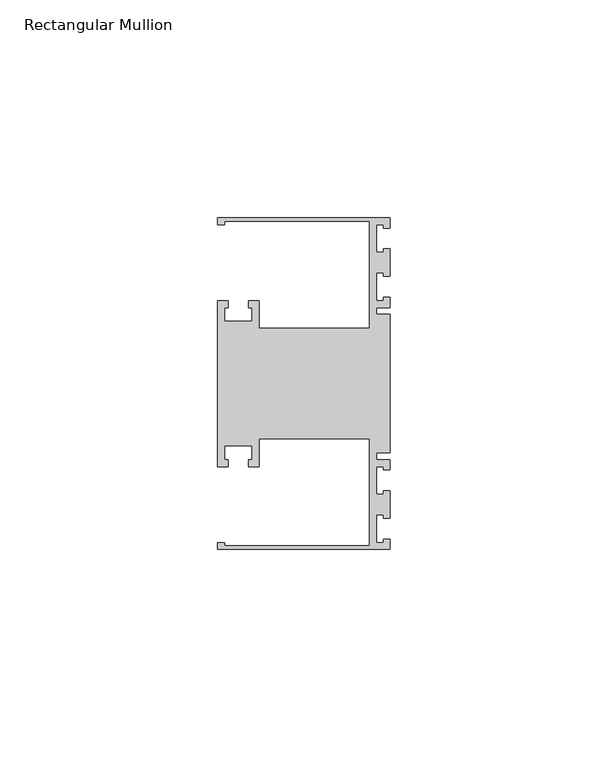
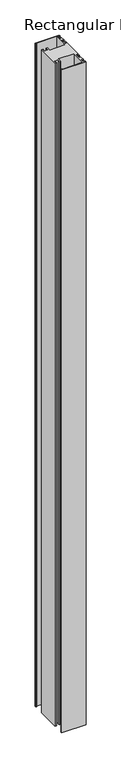
"""IFC4 building model written with IfcOpenShell, lengths in millimetres: member geometry, Rectangular Mullion."""

from ifc_helpers import new_model, si_unit, frame, origin, place, context, project, spatial, polyline, outline, extrude, source, transform, mapped, element, save


def rectangular_mullion_6e984a64(model_context):
    return source(origin(), model_context, "Body", "SweptSolid", [
        extrude(outline(polyline([(0.0, 38.1), (0.0, 35.71875), (-1.4999946, 35.71875), (-1.4999946, 36.5125), (-3.175, 36.5125), (-3.175, 30.1625), (-1.4999946, 30.1625), (-1.4999946, 30.95625), (0.0, 30.95625), (0.0, 24.60625), (-1.4999946, 24.60625), (-1.4999946, 25.4), (-3.175, 25.4), (-3.175, 19.05), (-1.4999946, 19.05), (-1.4999946, 19.84375), (0.0, 19.84375), (0.0, 17.4625), (-3.175, 17.4625), (-3.175, 15.875), (0.0, 15.875), (0.0, -15.875), (-3.175, -15.875), (-3.175, -17.4625), (0.0, -17.4625), (0.0, -19.84375), (-1.4999946, -19.84375), (-1.4999946, -19.05), (-3.175, -19.05), (-3.175, -25.4), (-1.4999946, -25.4), (-1.4999946, -24.60625), (0.0, -24.60625), (0.0, -30.95625), (-1.4999946, -30.95625), (-1.4999946, -30.1625), (-3.175, -30.1625), (-3.175, -36.5125), (-1.4999946, -36.5125), (-1.4999946, -35.71875), (0.0, -35.71875), (0.0, -38.1), (-39.6875, -38.1), (-39.6875, -36.5125), (-38.1, -36.5125), (-38.1, -37.30625), (-4.7625, -37.30625), (-4.7625, -12.7), (-30.1625, -12.7), (-30.1625, -19.05), (-32.54375, -19.05), (-32.54375, -17.4625), (-31.75, -17.4625), (-31.75, -14.2875), (-38.1, -14.2875), (-38.1, -17.4625), (-37.30625, -17.4625), (-37.30625, -19.05), (-39.6875, -19.05), (-39.6875, 19.05), (-37.30625, 19.05), (-37.30625, 17.4625), (-38.1, 17.4625), (-38.1, 14.2875), (-31.75, 14.2875), (-31.75, 17.4625), (-32.54375, 17.4625), (-32.54375, 19.05), (-30.1625, 19.05), (-30.1625, 12.7), (-4.7625, 12.7), (-4.7625, 37.30625), (-38.1, 37.30625), (-38.1, 36.5125), (-39.6875, 36.5125), (-39.6875, 38.1), (0.0, 38.1)])), frame((0.0, 0.0, -1152.525), z_axis=(0.0, 0.0, 1.0), x_axis=(1.0, 0.0, 0.0)), (0.0, 0.0, 1.0), 1152.525),
    ])


if __name__ == "__main__":
    model = new_model("IFC4")
    model_context = context("Model", 3, world=origin())
    ifc_project = project(units=[si_unit("LENGTHUNIT", "METRE", prefix="MILLI")], contexts=[model_context])
    site = spatial("IfcSite", under=ifc_project)
    building = spatial("IfcBuilding", under=site)
    placement = place(None, origin())
    rectangular_mullion_shape = rectangular_mullion_6e984a64(model_context)
    element("IfcMember", 1, ObjectType="Rectangular Mullion", at=placement, inside=building, context=model_context, shape_type="MappedRepresentation", body=[
        mapped(rectangular_mullion_shape, transform((0.0, 0.0, 0.0), x_axis=(1.0, 0.0, 0.0), y_axis=(0.0, 1.0, 0.0), z_axis=(0.0, 0.0, 1.0))),
    ])
    save(model, "model.ifc")
